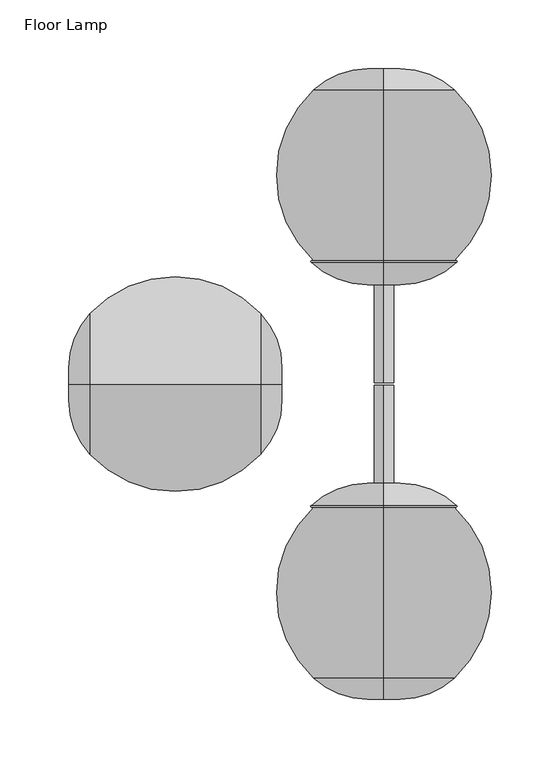
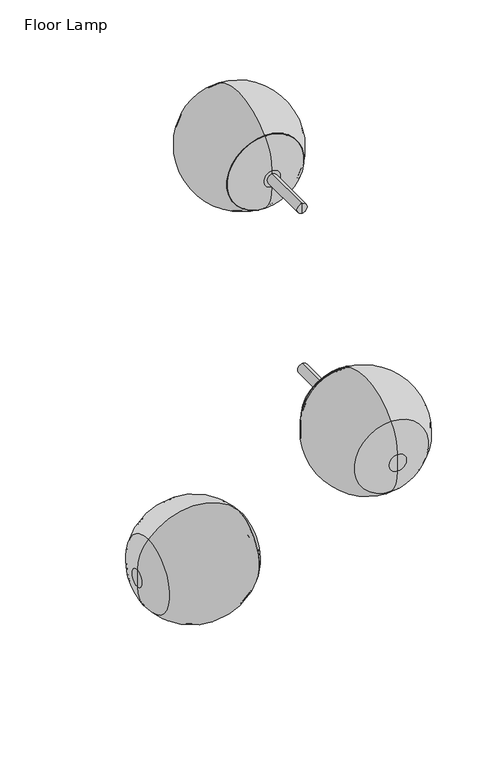
"""IFC4 building model written with IfcOpenShell, lengths in millimetres: furniture geometry, Floor Lamp."""

from ifc_helpers import new_model, si_unit, point, frame, origin, place, context, project, spatial, circle_curve, ellipse_curve, trimmed, source, transform, mapped, element, save
from ifc_brep_helpers import plane_surface, cylinder_surface, revolved_surface, advanced_brep


def floor_lamp_7dffe9f4(model_context):
    return source(origin(), model_context, "Body", "AdvancedBrep", [
        advanced_brep(
        [(0.0, -229.729236, 1321.4104506), (0.0, -229.729236, 1345.488443), (0.0, -229.729236, 1333.4494468), (0.0, -214.3552829, 1282.0718667), (0.0, -214.3552829, 1384.827027), (0.0, -89.6540623, 1282.0718667), (0.0, -89.6540623, 1384.827027), (0.0, -89.6540623, 1283.5571467), (0.0, -89.6540623, 1383.341747), (0.0, -213.6202761, 1282.7499265), (0.0, -213.6202761, 1384.1489672), (0.0, -228.729236, 1321.4104506), (0.0, -228.729236, 1345.488443), (0.0, -228.729236, 1333.4494468)],
        [
            (0, 1, circle_curve(frame((0.0, -229.729236, 1333.4494468), z_axis=(0.0, -1.0, 0.0), x_axis=(0.0, 0.0, 1.0)), 12.0389962)),
            (1, 2),
            (2, 0),
            (1, 0, circle_curve(frame((0.0, -229.729236, 1333.4494468), z_axis=(0.0, -1.0, 0.0), x_axis=(0.0, 0.0, 1.0)), 12.0389962)),
            (3, 4, circle_curve(frame((0.0, -214.3552829, 1333.4494468), z_axis=(0.0, -1.0, 0.0), x_axis=(0.0, 0.0, 1.0)), 51.3775801)),
            (4, 1, circle_curve(frame((0.0, -171.7128428, 1345.488443), z_axis=(1.0, 0.0, 0.0), x_axis=(0.0, 1.0, 0.0)), 58.0163932)),
            (0, 3, circle_curve(frame((0.0, -171.7128428, 1321.4104506), z_axis=(1.0, 0.0, 0.0), x_axis=(0.0, 1.0, 0.0)), 58.0163932)),
            (4, 3, circle_curve(frame((0.0, -214.3552829, 1333.4494468), z_axis=(0.0, -1.0, 0.0), x_axis=(0.0, 0.0, 1.0)), 51.3775801)),
            (5, 6, circle_curve(frame((0.0, -89.6540623, 1333.4494468), z_axis=(0.0, -1.0, 0.0), x_axis=(0.0, 0.0, 1.0)), 51.3775801)),
            (6, 4, circle_curve(frame((0.0, -152.0046726, 1327.3072248), z_axis=(1.0, 0.0, 0.0), x_axis=(0.0, -1.0, 0.0)), 84.8299844)),
            (3, 5, circle_curve(frame((0.0, -152.0046726, 1339.5916689), z_axis=(1.0, 0.0, 0.0), x_axis=(0.0, -1.0, 0.0)), 84.8299844)),
            (6, 5, circle_curve(frame((0.0, -89.6540623, 1333.4494468), z_axis=(0.0, -1.0, 0.0), x_axis=(0.0, 0.0, 1.0)), 51.3775801)),
            (7, 8, circle_curve(frame((0.0, -89.6540623, 1333.4494468), z_axis=(0.0, -1.0, 0.0), x_axis=(0.0, 0.0, 1.0)), 49.8923001)),
            (8, 6),
            (5, 7),
            (8, 7, circle_curve(frame((0.0, -89.6540623, 1333.4494468), z_axis=(0.0, -1.0, 0.0), x_axis=(0.0, 0.0, 1.0)), 49.8923001)),
            (9, 10, circle_curve(frame((0.0, -213.6202761, 1333.4494468), z_axis=(0.0, -1.0, 0.0), x_axis=(0.0, 0.0, 1.0)), 50.6995203)),
            (10, 8, circle_curve(frame((0.0, -152.0046726, 1327.3072248), z_axis=(-1.0, 0.0, 0.0), x_axis=(0.0, -1.0, 0.0)), 83.8299844)),
            (7, 9, circle_curve(frame((0.0, -152.0046726, 1339.5916689), z_axis=(-1.0, 0.0, 0.0), x_axis=(0.0, -1.0, 0.0)), 83.8299844)),
            (10, 9, circle_curve(frame((0.0, -213.6202761, 1333.4494468), z_axis=(0.0, -1.0, 0.0), x_axis=(0.0, 0.0, 1.0)), 50.6995203)),
            (11, 12, circle_curve(frame((0.0, -228.729236, 1333.4494468), z_axis=(0.0, -1.0, 0.0), x_axis=(0.0, 0.0, 1.0)), 12.0389962)),
            (12, 10, circle_curve(frame((0.0, -171.7128428, 1345.488443), z_axis=(-1.0, 0.0, 0.0), x_axis=(0.0, 1.0, 0.0)), 57.0163932)),
            (9, 11, circle_curve(frame((0.0, -171.7128428, 1321.4104506), z_axis=(-1.0, 0.0, 0.0), x_axis=(0.0, 1.0, 0.0)), 57.0163932)),
            (12, 11, circle_curve(frame((0.0, -228.729236, 1333.4494468), z_axis=(0.0, -1.0, 0.0), x_axis=(0.0, 0.0, 1.0)), 12.0389962)),
            (13, 12),
            (11, 13),
        ],
        [
            plane_surface(frame((0.0, -229.729236, 1333.4494468), z_axis=(0.0, -1.0, 0.0), x_axis=(0.0, 0.0, 1.0))),
            revolved_surface(trimmed(ellipse_curve(frame((0.0, -171.7128428, 1345.488443), z_axis=(-1.0, 0.0, 0.0), x_axis=(0.0, 1.0, 0.0)), 58.0163932, 58.0163932), [point((0.0, -229.729236, 1345.488443))], [point((0.0, -214.3552829, 1384.827027))], True, "CARTESIAN"), (0.0, 14.4837779, 1333.4494468), (0.0, 1.0, 0.0)),
            revolved_surface(trimmed(ellipse_curve(frame((0.0, -152.0046726, 1327.3072248), z_axis=(-1.0, 0.0, 0.0), x_axis=(0.0, -1.0, 0.0)), 84.8299844, 84.8299844), [point((0.0, -214.3552829, 1384.827027))], [point((0.0, -89.6540623, 1384.827027))], True, "CARTESIAN"), (0.0, 14.4837779, 1333.4494468), (0.0, 1.0, 0.0)),
            plane_surface(frame((0.0, -89.6540623, 1333.4494468), z_axis=(0.0, 1.0, 0.0), x_axis=(0.0, 0.0, 1.0))),
            revolved_surface(trimmed(ellipse_curve(frame((0.0, -152.0046726, 1327.3072248), z_axis=(1.0, 0.0, 0.0), x_axis=(0.0, -1.0, 0.0)), 83.8299844, 83.8299844), [point((0.0, -89.6540623, 1383.341747))], [point((0.0, -213.6202761, 1384.1489672))], True, "CARTESIAN"), (0.0, 14.4837779, 1333.4494468), (0.0, 1.0, 0.0)),
            revolved_surface(trimmed(ellipse_curve(frame((0.0, -171.7128428, 1345.488443), z_axis=(1.0, 0.0, 0.0), x_axis=(0.0, 1.0, 0.0)), 57.0163932, 57.0163932), [point((0.0, -213.6202761, 1384.1489672))], [point((0.0, -228.729236, 1345.488443))], True, "CARTESIAN"), (0.0, 14.4837779, 1333.4494468), (0.0, 1.0, 0.0)),
            plane_surface(frame((0.0, -228.729236, 1333.4494468), z_axis=(0.0, 1.0, 0.0), x_axis=(0.0, 0.0, 1.0))),
        ],
        [
            (0, [[1, 2, 3]]),
            (0, [[4, -3, -2]]),
            (1, [[5, 6, -1, 7]]),
            (1, [[8, -7, -4, -6]]),
            (2, [[9, 10, -5, 11]]),
            (2, [[12, -11, -8, -10]]),
            (3, [[13, 14, -9, 15]]),
            (3, [[16, -15, -12, -14]]),
            (4, [[17, 18, -13, 19]]),
            (4, [[20, -19, -16, -18]]),
            (5, [[21, 22, -17, 23]]),
            (5, [[24, -23, -20, -22]]),
            (6, [[25, -21, 26]]),
            (6, [[-26, -24, -25]]),
        ],
    ),
        advanced_brep(
        [(0.0, -75.2801091, 1333.4494468), (0.0, -75.2801091, 1339.2125472), (0.0, -75.2801091, 1327.6863465), (0.0, -137.3701269, 1317.6863465), (0.0, -137.3701269, 1349.2125472), (0.0, -137.3701269, 1333.4494468), (0.0, -85.2801091, 1317.6863465), (0.0, -85.2801091, 1349.2125472)],
        [
            (0, 1),
            (1, 2, circle_curve(frame((0.0, -75.2801091, 1333.4494468), z_axis=(0.0, 1.0, 0.0), x_axis=(0.0, 0.0, 1.0)), 5.7631003)),
            (2, 0),
            (2, 1, circle_curve(frame((0.0, -75.2801091, 1333.4494468), z_axis=(0.0, 1.0, 0.0), x_axis=(0.0, 0.0, 1.0)), 5.7631003)),
            (3, 4, circle_curve(frame((0.0, -137.3701269, 1333.4494468), z_axis=(0.0, -1.0, 0.0), x_axis=(0.0, 0.0, 1.0)), 15.7631003)),
            (4, 5),
            (5, 3),
            (4, 3, circle_curve(frame((0.0, -137.3701269, 1333.4494468), z_axis=(0.0, -1.0, 0.0), x_axis=(0.0, 0.0, 1.0)), 15.7631003)),
            (6, 7, circle_curve(frame((0.0, -85.2801091, 1333.4494468), z_axis=(0.0, -1.0, 0.0), x_axis=(0.0, 0.0, 1.0)), 15.7631003)),
            (7, 4),
            (3, 6),
            (7, 6, circle_curve(frame((0.0, -85.2801091, 1333.4494468), z_axis=(0.0, -1.0, 0.0), x_axis=(0.0, 0.0, 1.0)), 15.7631003)),
            (1, 7, circle_curve(frame((0.0, -85.2801091, 1339.2125472), z_axis=(1.0, 0.0, 0.0), x_axis=(0.0, -1.0, 0.0)), 10.0)),
            (6, 2, circle_curve(frame((0.0, -85.2801091, 1327.6863465), z_axis=(1.0, 0.0, 0.0), x_axis=(0.0, -1.0, 0.0)), 10.0)),
        ],
        [
            plane_surface(frame((0.0, -75.2801091, 1333.4494468), z_axis=(0.0, 1.0, 0.0), x_axis=(0.0, 0.0, 1.0))),
            plane_surface(frame((0.0, -137.3701269, 1333.4494468), z_axis=(0.0, -1.0, 0.0), x_axis=(0.0, 0.0, 1.0))),
            cylinder_surface(frame((0.0, -37.800932, 1333.4494468), z_axis=(0.0, 1.0, 0.0), x_axis=(0.0, 0.0, 1.0)), 15.7631003),
            revolved_surface(trimmed(ellipse_curve(frame((0.0, -85.2801091, 1339.2125472), z_axis=(-1.0, 0.0, 0.0), x_axis=(0.0, -1.0, 0.0)), 10.0, 10.0), [point((0.0, -85.2801091, 1349.2125472))], [point((0.0, -75.2801091, 1339.2125472))], True, "CARTESIAN"), (0.0, -37.800932, 1333.4494468), (0.0, 1.0, 0.0)),
        ],
        [
            (0, [[1, 2, 3]]),
            (0, [[-3, 4, -1]]),
            (1, [[5, 6, 7]]),
            (1, [[8, -7, -6]]),
            (2, [[9, 10, -5, 11]]),
            (2, [[12, -11, -8, -10]]),
            (3, [[-2, 13, -9, 14]]),
            (3, [[-4, -14, -12, -13]]),
        ],
    ),
        advanced_brep(
        [(0.0, -74.2801091, 1333.4494468), (0.0, -74.2801091, 1345.488443), (0.0, -74.2801091, 1321.4104506), (0.0, -89.6540623, 1384.827027), (0.0, -89.6540623, 1282.0718667), (0.0, -75.2801091, 1321.4104506), (0.0, -75.2801091, 1345.488443), (0.0, -75.2801091, 1333.4494468), (0.0, -89.6540623, 1283.5621825), (0.0, -89.6540623, 1383.3367112)],
        [
            (0, 1),
            (1, 2, circle_curve(frame((0.0, -74.2801091, 1333.4494468), z_axis=(0.0, 1.0, 0.0), x_axis=(0.0, 0.0, 1.0)), 12.0389962)),
            (2, 0),
            (2, 1, circle_curve(frame((0.0, -74.2801091, 1333.4494468), z_axis=(0.0, 1.0, 0.0), x_axis=(0.0, 0.0, 1.0)), 12.0389962)),
            (1, 3, circle_curve(frame((0.0, -132.2965023, 1345.488443), z_axis=(1.0, 0.0, 0.0), x_axis=(0.0, -1.0, 0.0)), 58.0163932)),
            (3, 4, circle_curve(frame((0.0, -89.6540623, 1333.4494468), z_axis=(0.0, 1.0, 0.0), x_axis=(0.0, 0.0, 1.0)), 51.3775801)),
            (4, 2, circle_curve(frame((0.0, -132.2965023, 1321.4104506), z_axis=(1.0, 0.0, 0.0), x_axis=(0.0, -1.0, 0.0)), 58.0163932)),
            (4, 3, circle_curve(frame((0.0, -89.6540623, 1333.4494468), z_axis=(0.0, 1.0, 0.0), x_axis=(0.0, 0.0, 1.0)), 51.3775801)),
            (5, 6, circle_curve(frame((0.0, -75.2801091, 1333.4494468), z_axis=(0.0, -1.0, 0.0), x_axis=(0.0, 0.0, 1.0)), 12.0389962)),
            (6, 7),
            (7, 5),
            (6, 5, circle_curve(frame((0.0, -75.2801091, 1333.4494468), z_axis=(0.0, -1.0, 0.0), x_axis=(0.0, 0.0, 1.0)), 12.0389962)),
            (8, 9, circle_curve(frame((0.0, -89.6540623, 1333.4494468), z_axis=(0.0, -1.0, 0.0), x_axis=(0.0, 0.0, 1.0)), 49.8872643)),
            (9, 6, circle_curve(frame((0.0, -132.2965023, 1345.488443), z_axis=(-1.0, 0.0, 0.0), x_axis=(0.0, -1.0, 0.0)), 57.0163932)),
            (5, 8, circle_curve(frame((0.0, -132.2965023, 1321.4104506), z_axis=(-1.0, 0.0, 0.0), x_axis=(0.0, -1.0, 0.0)), 57.0163932)),
            (9, 8, circle_curve(frame((0.0, -89.6540623, 1333.4494468), z_axis=(0.0, -1.0, 0.0), x_axis=(0.0, 0.0, 1.0)), 49.8872643)),
            (3, 9),
            (8, 4),
        ],
        [
            plane_surface(frame((0.0, -74.2801091, 1333.4494468), z_axis=(0.0, 1.0, 0.0), x_axis=(0.0, 0.0, 1.0))),
            revolved_surface(trimmed(ellipse_curve(frame((0.0, -132.2965023, 1345.488443), z_axis=(-1.0, 0.0, 0.0), x_axis=(0.0, -1.0, 0.0)), 58.0163932, 58.0163932), [point((0.0, -89.6540623, 1384.827027))], [point((0.0, -74.2801091, 1345.488443))], True, "CARTESIAN"), (0.0, -37.800932, 1333.4494468), (0.0, 1.0, 0.0)),
            plane_surface(frame((0.0, -75.2801091, 1333.4494468), z_axis=(0.0, -1.0, 0.0), x_axis=(0.0, 0.0, 1.0))),
            revolved_surface(trimmed(ellipse_curve(frame((0.0, -132.2965023, 1345.488443), z_axis=(1.0, 0.0, 0.0), x_axis=(0.0, -1.0, 0.0)), 57.0163932, 57.0163932), [point((0.0, -75.2801091, 1345.488443))], [point((0.0, -89.6540623, 1383.3367112))], True, "CARTESIAN"), (0.0, -37.800932, 1333.4494468), (0.0, 1.0, 0.0)),
            plane_surface(frame((0.0, -89.6540623, 1333.4494468), z_axis=(0.0, -1.0, 0.0), x_axis=(0.0, 0.0, 1.0))),
        ],
        [
            (0, [[1, 2, 3]]),
            (0, [[-3, 4, -1]]),
            (1, [[-2, 5, 6, 7]]),
            (1, [[-4, -7, 8, -5]]),
            (2, [[9, 10, 11]]),
            (2, [[12, -11, -10]]),
            (3, [[13, 14, -9, 15]]),
            (3, [[16, -15, -12, -14]]),
            (4, [[-6, 17, -13, 18]]),
            (4, [[-8, -18, -16, -17]]),
        ],
    ),
        advanced_brep(
        [(0.0, -0.8414738, 1326.4104506), (0.0, -0.8414738, 1340.488443), (0.0, -72.2801091, 1340.488443), (0.0, -72.2801091, 1326.4104506), (0.0, -0.8414738, 1333.4494468), (0.0, -74.2801091, 1321.4104506), (0.0, -74.2801091, 1345.488443), (0.0, -74.2801091, 1333.4494468), (0.0, -89.6540623, 1282.0718667), (0.0, -89.6540623, 1384.827027), (0.0, -89.6540623, 1280.411293), (0.0, -89.6540623, 1386.4876007), (0.0, -88.7916206, 1280.0668572), (0.0, -88.7916206, 1386.8320365), (0.0, -72.2801091, 1321.4104506), (0.0, -72.2801091, 1345.488443)],
        [
            (0, 1, circle_curve(frame((0.0, -0.8414738, 1333.4494468), z_axis=(0.0, -1.0, 0.0), x_axis=(0.0, 0.0, 1.0)), 7.0389962)),
            (1, 2),
            (2, 3, circle_curve(frame((0.0, -72.2801091, 1333.4494468), z_axis=(0.0, 1.0, 0.0), x_axis=(0.0, 0.0, 1.0)), 7.0389962)),
            (3, 0),
            (1, 0, circle_curve(frame((0.0, -0.8414738, 1333.4494468), z_axis=(0.0, -1.0, 0.0), x_axis=(0.0, 0.0, 1.0)), 7.0389962)),
            (3, 2, circle_curve(frame((0.0, -72.2801091, 1333.4494468), z_axis=(0.0, 1.0, 0.0), x_axis=(0.0, 0.0, 1.0)), 7.0389962)),
            (4, 1),
            (0, 4),
            (5, 6, circle_curve(frame((0.0, -74.2801091, 1333.4494468), z_axis=(0.0, -1.0, 0.0), x_axis=(0.0, 0.0, 1.0)), 12.0389962)),
            (6, 7),
            (7, 5),
            (6, 5, circle_curve(frame((0.0, -74.2801091, 1333.4494468), z_axis=(0.0, -1.0, 0.0), x_axis=(0.0, 0.0, 1.0)), 12.0389962)),
            (8, 9, circle_curve(frame((0.0, -89.6540623, 1333.4494468), z_axis=(0.0, -1.0, 0.0), x_axis=(0.0, 0.0, 1.0)), 51.3775801)),
            (9, 6, circle_curve(frame((0.0, -132.2965023, 1345.488443), z_axis=(-1.0, 0.0, 0.0), x_axis=(0.0, -1.0, 0.0)), 58.0163932)),
            (5, 8, circle_curve(frame((0.0, -132.2965023, 1321.4104506), z_axis=(-1.0, 0.0, 0.0), x_axis=(0.0, -1.0, 0.0)), 58.0163932)),
            (9, 8, circle_curve(frame((0.0, -89.6540623, 1333.4494468), z_axis=(0.0, -1.0, 0.0), x_axis=(0.0, 0.0, 1.0)), 51.3775801)),
            (10, 11, circle_curve(frame((0.0, -89.6540623, 1333.4494468), z_axis=(0.0, -1.0, 0.0), x_axis=(0.0, 0.0, 1.0)), 53.0381538)),
            (11, 9),
            (8, 10),
            (11, 10, circle_curve(frame((0.0, -89.6540623, 1333.4494468), z_axis=(0.0, -1.0, 0.0), x_axis=(0.0, 0.0, 1.0)), 53.0381538)),
            (12, 13, circle_curve(frame((0.0, -88.7916206, 1333.4494468), z_axis=(0.0, -1.0, 0.0), x_axis=(0.0, 0.0, 1.0)), 53.3825897)),
            (13, 11, circle_curve(frame((0.0, -89.1540623, 1386.4876007), z_axis=(1.0, 0.0, 0.0), x_axis=(0.0, -1.0, 0.0)), 0.5)),
            (10, 12, circle_curve(frame((0.0, -89.1540623, 1280.411293), z_axis=(1.0, 0.0, 0.0), x_axis=(0.0, -1.0, 0.0)), 0.5)),
            (13, 12, circle_curve(frame((0.0, -88.7916206, 1333.4494468), z_axis=(0.0, -1.0, 0.0), x_axis=(0.0, 0.0, 1.0)), 53.3825897)),
            (14, 15, circle_curve(frame((0.0, -72.2801091, 1333.4494468), z_axis=(0.0, -1.0, 0.0), x_axis=(0.0, 0.0, 1.0)), 12.0389962)),
            (15, 13, circle_curve(frame((0.0, -132.2965023, 1345.488443), z_axis=(1.0, 0.0, 0.0), x_axis=(0.0, -1.0, 0.0)), 60.0163932)),
            (12, 14, circle_curve(frame((0.0, -132.2965023, 1321.4104506), z_axis=(1.0, 0.0, 0.0), x_axis=(0.0, -1.0, 0.0)), 60.0163932)),
            (15, 14, circle_curve(frame((0.0, -72.2801091, 1333.4494468), z_axis=(0.0, -1.0, 0.0), x_axis=(0.0, 0.0, 1.0)), 12.0389962)),
            (2, 15),
            (14, 3),
        ],
        [
            cylinder_surface(frame((0.0, 14.4837779, 1333.4494468), z_axis=(0.0, 1.0, 0.0), x_axis=(0.0, 0.0, 1.0)), 7.0389962),
            plane_surface(frame((0.0, -0.8414738, 1333.4494468), z_axis=(0.0, 1.0, 0.0), x_axis=(0.0, 0.0, 1.0))),
            plane_surface(frame((0.0, -74.2801091, 1333.4494468), z_axis=(0.0, -1.0, 0.0), x_axis=(0.0, 0.0, 1.0))),
            revolved_surface(trimmed(ellipse_curve(frame((0.0, -132.2965023, 1345.488443), z_axis=(1.0, 0.0, 0.0), x_axis=(0.0, -1.0, 0.0)), 58.0163932, 58.0163932), [point((0.0, -74.2801091, 1345.488443))], [point((0.0, -89.6540623, 1384.827027))], True, "CARTESIAN"), (0.0, 14.4837779, 1333.4494468), (0.0, 1.0, 0.0)),
            plane_surface(frame((0.0, -89.6540623, 1333.4494468), z_axis=(0.0, -1.0, 0.0), x_axis=(0.0, 0.0, 1.0))),
            revolved_surface(trimmed(ellipse_curve(frame((0.0, -89.1540623, 1386.4876007), z_axis=(-1.0, 0.0, 0.0), x_axis=(0.0, -1.0, 0.0)), 0.5, 0.5), [point((0.0, -89.6540623, 1386.4876007))], [point((0.0, -88.7916206, 1386.8320365))], True, "CARTESIAN"), (0.0, 14.4837779, 1333.4494468), (0.0, 1.0, 0.0)),
            revolved_surface(trimmed(ellipse_curve(frame((0.0, -132.2965023, 1345.488443), z_axis=(-1.0, 0.0, 0.0), x_axis=(0.0, -1.0, 0.0)), 60.0163932, 60.0163932), [point((0.0, -88.7916206, 1386.8320365))], [point((0.0, -72.2801091, 1345.488443))], True, "CARTESIAN"), (0.0, 14.4837779, 1333.4494468), (0.0, 1.0, 0.0)),
            plane_surface(frame((0.0, -72.2801091, 1333.4494468), z_axis=(0.0, 1.0, 0.0), x_axis=(0.0, 0.0, 1.0))),
        ],
        [
            (0, [[1, 2, 3, 4]]),
            (0, [[5, -4, 6, -2]]),
            (1, [[7, -1, 8]]),
            (1, [[-8, -5, -7]]),
            (2, [[9, 10, 11]]),
            (2, [[12, -11, -10]]),
            (3, [[13, 14, -9, 15]]),
            (3, [[16, -15, -12, -14]]),
            (4, [[17, 18, -13, 19]]),
            (4, [[20, -19, -16, -18]]),
            (5, [[21, 22, -17, 23]]),
            (5, [[24, -23, -20, -22]]),
            (6, [[25, 26, -21, 27]]),
            (6, [[28, -27, -24, -26]]),
            (7, [[-3, 29, -25, 30]]),
            (7, [[-6, -30, -28, -29]]),
        ],
    ),
        advanced_brep(
        [(0.0, 229.729236, 1567.3808061), (0.0, 229.729236, 1579.4198023), (0.0, 229.729236, 1555.3418098), (0.0, 214.3552829, 1618.7583862), (0.0, 214.3552829, 1516.0032259), (0.0, 89.6540623, 1618.7583862), (0.0, 89.6540623, 1516.0032259), (0.0, 89.6540623, 1617.2731062), (0.0, 89.6540623, 1517.4885059), (0.0, 213.6202761, 1618.0803264), (0.0, 213.6202761, 1516.6812857), (0.0, 228.729236, 1579.4198023), (0.0, 228.729236, 1555.3418098), (0.0, 228.729236, 1567.3808061)],
        [
            (0, 1),
            (1, 2, circle_curve(frame((0.0, 229.729236, 1567.3808061), z_axis=(0.0, 1.0, 0.0), x_axis=(0.0, 0.0, 1.0)), 12.0389962)),
            (2, 0),
            (2, 1, circle_curve(frame((0.0, 229.729236, 1567.3808061), z_axis=(0.0, 1.0, 0.0), x_axis=(0.0, 0.0, 1.0)), 12.0389962)),
            (1, 3, circle_curve(frame((0.0, 171.7128428, 1579.4198023), z_axis=(1.0, 0.0, 0.0), x_axis=(0.0, -1.0, 0.0)), 58.0163932)),
            (3, 4, circle_curve(frame((0.0, 214.3552829, 1567.3808061), z_axis=(0.0, 1.0, 0.0), x_axis=(0.0, 0.0, 1.0)), 51.3775801)),
            (4, 2, circle_curve(frame((0.0, 171.7128428, 1555.3418098), z_axis=(1.0, 0.0, 0.0), x_axis=(0.0, -1.0, 0.0)), 58.0163932)),
            (4, 3, circle_curve(frame((0.0, 214.3552829, 1567.3808061), z_axis=(0.0, 1.0, 0.0), x_axis=(0.0, 0.0, 1.0)), 51.3775801)),
            (3, 5, circle_curve(frame((0.0, 152.0046726, 1561.238584), z_axis=(1.0, 0.0, 0.0), x_axis=(0.0, 1.0, 0.0)), 84.8299844)),
            (5, 6, circle_curve(frame((0.0, 89.6540623, 1567.3808061), z_axis=(0.0, 1.0, 0.0), x_axis=(0.0, 0.0, 1.0)), 51.3775801)),
            (6, 4, circle_curve(frame((0.0, 152.0046726, 1573.5230281), z_axis=(1.0, 0.0, 0.0), x_axis=(0.0, 1.0, 0.0)), 84.8299844)),
            (6, 5, circle_curve(frame((0.0, 89.6540623, 1567.3808061), z_axis=(0.0, 1.0, 0.0), x_axis=(0.0, 0.0, 1.0)), 51.3775801)),
            (5, 7),
            (7, 8, circle_curve(frame((0.0, 89.6540623, 1567.3808061), z_axis=(0.0, 1.0, 0.0), x_axis=(0.0, 0.0, 1.0)), 49.8923001)),
            (8, 6),
            (8, 7, circle_curve(frame((0.0, 89.6540623, 1567.3808061), z_axis=(0.0, 1.0, 0.0), x_axis=(0.0, 0.0, 1.0)), 49.8923001)),
            (7, 9, circle_curve(frame((0.0, 152.0046726, 1561.238584), z_axis=(-1.0, 0.0, 0.0), x_axis=(0.0, 1.0, 0.0)), 83.8299844)),
            (9, 10, circle_curve(frame((0.0, 213.6202761, 1567.3808061), z_axis=(0.0, 1.0, 0.0), x_axis=(0.0, 0.0, 1.0)), 50.6995203)),
            (10, 8, circle_curve(frame((0.0, 152.0046726, 1573.5230281), z_axis=(-1.0, 0.0, 0.0), x_axis=(0.0, 1.0, 0.0)), 83.8299844)),
            (10, 9, circle_curve(frame((0.0, 213.6202761, 1567.3808061), z_axis=(0.0, 1.0, 0.0), x_axis=(0.0, 0.0, 1.0)), 50.6995203)),
            (9, 11, circle_curve(frame((0.0, 171.7128428, 1579.4198023), z_axis=(-1.0, 0.0, 0.0), x_axis=(0.0, -1.0, 0.0)), 57.0163932)),
            (11, 12, circle_curve(frame((0.0, 228.729236, 1567.3808061), z_axis=(0.0, 1.0, 0.0), x_axis=(0.0, 0.0, 1.0)), 12.0389962)),
            (12, 10, circle_curve(frame((0.0, 171.7128428, 1555.3418098), z_axis=(-1.0, 0.0, 0.0), x_axis=(0.0, -1.0, 0.0)), 57.0163932)),
            (12, 11, circle_curve(frame((0.0, 228.729236, 1567.3808061), z_axis=(0.0, 1.0, 0.0), x_axis=(0.0, 0.0, 1.0)), 12.0389962)),
            (11, 13),
            (13, 12),
        ],
        [
            plane_surface(frame((0.0, 229.729236, 1567.3808061), z_axis=(0.0, 1.0, 0.0), x_axis=(0.0, 0.0, 1.0))),
            revolved_surface(trimmed(ellipse_curve(frame((0.0, 171.7128428, 1579.4198023), z_axis=(-1.0, 0.0, 0.0), x_axis=(0.0, -1.0, 0.0)), 58.0163932, 58.0163932), [point((0.0, 214.3552829, 1618.7583862))], [point((0.0, 229.729236, 1579.4198023))], True, "CARTESIAN"), (0.0, -14.4837779, 1567.3808061), (0.0, 1.0, 0.0)),
            revolved_surface(trimmed(ellipse_curve(frame((0.0, 152.0046726, 1561.238584), z_axis=(-1.0, 0.0, 0.0), x_axis=(0.0, 1.0, 0.0)), 84.8299844, 84.8299844), [point((0.0, 89.6540623, 1618.7583862))], [point((0.0, 214.3552829, 1618.7583862))], True, "CARTESIAN"), (0.0, -14.4837779, 1567.3808061), (0.0, 1.0, 0.0)),
            plane_surface(frame((0.0, 89.6540623, 1567.3808061), z_axis=(0.0, -1.0, 0.0), x_axis=(0.0, 0.0, 1.0))),
            revolved_surface(trimmed(ellipse_curve(frame((0.0, 152.0046726, 1561.238584), z_axis=(1.0, 0.0, 0.0), x_axis=(0.0, 1.0, 0.0)), 83.8299844, 83.8299844), [point((0.0, 213.6202761, 1618.0803264))], [point((0.0, 89.6540623, 1617.2731062))], True, "CARTESIAN"), (0.0, -14.4837779, 1567.3808061), (0.0, 1.0, 0.0)),
            revolved_surface(trimmed(ellipse_curve(frame((0.0, 171.7128428, 1579.4198023), z_axis=(1.0, 0.0, 0.0), x_axis=(0.0, -1.0, 0.0)), 57.0163932, 57.0163932), [point((0.0, 228.729236, 1579.4198023))], [point((0.0, 213.6202761, 1618.0803264))], True, "CARTESIAN"), (0.0, -14.4837779, 1567.3808061), (0.0, 1.0, 0.0)),
            plane_surface(frame((0.0, 228.729236, 1567.3808061), z_axis=(0.0, -1.0, 0.0), x_axis=(0.0, 0.0, 1.0))),
        ],
        [
            (0, [[1, 2, 3]]),
            (0, [[-3, 4, -1]]),
            (1, [[-2, 5, 6, 7]]),
            (1, [[-4, -7, 8, -5]]),
            (2, [[-6, 9, 10, 11]]),
            (2, [[-8, -11, 12, -9]]),
            (3, [[-10, 13, 14, 15]]),
            (3, [[-12, -15, 16, -13]]),
            (4, [[-14, 17, 18, 19]]),
            (4, [[-16, -19, 20, -17]]),
            (5, [[-18, 21, 22, 23]]),
            (5, [[-20, -23, 24, -21]]),
            (6, [[-22, 25, 26]]),
            (6, [[-24, -26, -25]]),
        ],
    ),
        advanced_brep(
        [(0.0, 75.2801091, 1561.6177057), (0.0, 75.2801091, 1573.1439064), (0.0, 75.2801091, 1567.3808061), (0.0, 137.3701269, 1567.3808061), (0.0, 137.3701269, 1583.1439064), (0.0, 137.3701269, 1551.6177057), (0.0, 85.2801091, 1583.1439064), (0.0, 85.2801091, 1551.6177057)],
        [
            (0, 1, circle_curve(frame((0.0, 75.2801091, 1567.3808061), z_axis=(0.0, -1.0, 0.0), x_axis=(0.0, 0.0, 1.0)), 5.7631003)),
            (1, 2),
            (2, 0),
            (1, 0, circle_curve(frame((0.0, 75.2801091, 1567.3808061), z_axis=(0.0, -1.0, 0.0), x_axis=(0.0, 0.0, 1.0)), 5.7631003)),
            (3, 4),
            (4, 5, circle_curve(frame((0.0, 137.3701269, 1567.3808061), z_axis=(0.0, 1.0, 0.0), x_axis=(0.0, 0.0, 1.0)), 15.7631003)),
            (5, 3),
            (5, 4, circle_curve(frame((0.0, 137.3701269, 1567.3808061), z_axis=(0.0, 1.0, 0.0), x_axis=(0.0, 0.0, 1.0)), 15.7631003)),
            (4, 6),
            (6, 7, circle_curve(frame((0.0, 85.2801091, 1567.3808061), z_axis=(0.0, 1.0, 0.0), x_axis=(0.0, 0.0, 1.0)), 15.7631003)),
            (7, 5),
            (7, 6, circle_curve(frame((0.0, 85.2801091, 1567.3808061), z_axis=(0.0, 1.0, 0.0), x_axis=(0.0, 0.0, 1.0)), 15.7631003)),
            (6, 1, circle_curve(frame((0.0, 85.2801091, 1573.1439064), z_axis=(1.0, 0.0, 0.0), x_axis=(0.0, 1.0, 0.0)), 10.0)),
            (0, 7, circle_curve(frame((0.0, 85.2801091, 1561.6177057), z_axis=(1.0, 0.0, 0.0), x_axis=(0.0, 1.0, 0.0)), 10.0)),
        ],
        [
            plane_surface(frame((0.0, 75.2801091, 1567.3808061), z_axis=(0.0, -1.0, 0.0), x_axis=(0.0, 0.0, 1.0))),
            plane_surface(frame((0.0, 137.3701269, 1567.3808061), z_axis=(0.0, 1.0, 0.0), x_axis=(0.0, 0.0, 1.0))),
            cylinder_surface(frame((0.0, 37.800932, 1567.3808061), z_axis=(0.0, 1.0, 0.0), x_axis=(0.0, 0.0, 1.0)), 15.7631003),
            revolved_surface(trimmed(ellipse_curve(frame((0.0, 85.2801091, 1573.1439064), z_axis=(-1.0, 0.0, 0.0), x_axis=(0.0, 1.0, 0.0)), 10.0, 10.0), [point((0.0, 75.2801091, 1573.1439064))], [point((0.0, 85.2801091, 1583.1439064))], True, "CARTESIAN"), (0.0, 37.800932, 1567.3808061), (0.0, 1.0, 0.0)),
        ],
        [
            (0, [[1, 2, 3]]),
            (0, [[4, -3, -2]]),
            (1, [[5, 6, 7]]),
            (1, [[-7, 8, -5]]),
            (2, [[-6, 9, 10, 11]]),
            (2, [[-8, -11, 12, -9]]),
            (3, [[-10, 13, -1, 14]]),
            (3, [[-12, -14, -4, -13]]),
        ],
    ),
        advanced_brep(
        [(0.0, 74.2801091, 1555.3418098), (0.0, 74.2801091, 1579.4198023), (0.0, 74.2801091, 1567.3808061), (0.0, 89.6540623, 1516.0032259), (0.0, 89.6540623, 1618.7583862), (0.0, 75.2801091, 1567.3808061), (0.0, 75.2801091, 1579.4198023), (0.0, 75.2801091, 1555.3418098), (0.0, 89.6540623, 1617.2680704), (0.0, 89.6540623, 1517.4935417)],
        [
            (0, 1, circle_curve(frame((0.0, 74.2801091, 1567.3808061), z_axis=(0.0, -1.0, 0.0), x_axis=(0.0, 0.0, 1.0)), 12.0389962)),
            (1, 2),
            (2, 0),
            (1, 0, circle_curve(frame((0.0, 74.2801091, 1567.3808061), z_axis=(0.0, -1.0, 0.0), x_axis=(0.0, 0.0, 1.0)), 12.0389962)),
            (3, 4, circle_curve(frame((0.0, 89.6540623, 1567.3808061), z_axis=(0.0, -1.0, 0.0), x_axis=(0.0, 0.0, 1.0)), 51.3775801)),
            (4, 1, circle_curve(frame((0.0, 132.2965023, 1579.4198023), z_axis=(1.0, 0.0, 0.0), x_axis=(0.0, 1.0, 0.0)), 58.0163932)),
            (0, 3, circle_curve(frame((0.0, 132.2965023, 1555.3418098), z_axis=(1.0, 0.0, 0.0), x_axis=(0.0, 1.0, 0.0)), 58.0163932)),
            (4, 3, circle_curve(frame((0.0, 89.6540623, 1567.3808061), z_axis=(0.0, -1.0, 0.0), x_axis=(0.0, 0.0, 1.0)), 51.3775801)),
            (5, 6),
            (6, 7, circle_curve(frame((0.0, 75.2801091, 1567.3808061), z_axis=(0.0, 1.0, 0.0), x_axis=(0.0, 0.0, 1.0)), 12.0389962)),
            (7, 5),
            (7, 6, circle_curve(frame((0.0, 75.2801091, 1567.3808061), z_axis=(0.0, 1.0, 0.0), x_axis=(0.0, 0.0, 1.0)), 12.0389962)),
            (6, 8, circle_curve(frame((0.0, 132.2965023, 1579.4198023), z_axis=(-1.0, 0.0, 0.0), x_axis=(0.0, 1.0, 0.0)), 57.0163932)),
            (8, 9, circle_curve(frame((0.0, 89.6540623, 1567.3808061), z_axis=(0.0, 1.0, 0.0), x_axis=(0.0, 0.0, 1.0)), 49.8872643)),
            (9, 7, circle_curve(frame((0.0, 132.2965023, 1555.3418098), z_axis=(-1.0, 0.0, 0.0), x_axis=(0.0, 1.0, 0.0)), 57.0163932)),
            (9, 8, circle_curve(frame((0.0, 89.6540623, 1567.3808061), z_axis=(0.0, 1.0, 0.0), x_axis=(0.0, 0.0, 1.0)), 49.8872643)),
            (8, 4),
            (3, 9),
        ],
        [
            plane_surface(frame((0.0, 74.2801091, 1567.3808061), z_axis=(0.0, -1.0, 0.0), x_axis=(0.0, 0.0, 1.0))),
            revolved_surface(trimmed(ellipse_curve(frame((0.0, 132.2965023, 1579.4198023), z_axis=(-1.0, 0.0, 0.0), x_axis=(0.0, 1.0, 0.0)), 58.0163932, 58.0163932), [point((0.0, 74.2801091, 1579.4198023))], [point((0.0, 89.6540623, 1618.7583862))], True, "CARTESIAN"), (0.0, 37.800932, 1567.3808061), (0.0, 1.0, 0.0)),
            plane_surface(frame((0.0, 75.2801091, 1567.3808061), z_axis=(0.0, 1.0, 0.0), x_axis=(0.0, 0.0, 1.0))),
            revolved_surface(trimmed(ellipse_curve(frame((0.0, 132.2965023, 1579.4198023), z_axis=(1.0, 0.0, 0.0), x_axis=(0.0, 1.0, 0.0)), 57.0163932, 57.0163932), [point((0.0, 89.6540623, 1617.2680704))], [point((0.0, 75.2801091, 1579.4198023))], True, "CARTESIAN"), (0.0, 37.800932, 1567.3808061), (0.0, 1.0, 0.0)),
            plane_surface(frame((0.0, 89.6540623, 1567.3808061), z_axis=(0.0, 1.0, 0.0), x_axis=(0.0, 0.0, 1.0))),
        ],
        [
            (0, [[1, 2, 3]]),
            (0, [[4, -3, -2]]),
            (1, [[5, 6, -1, 7]]),
            (1, [[8, -7, -4, -6]]),
            (2, [[9, 10, 11]]),
            (2, [[-11, 12, -9]]),
            (3, [[-10, 13, 14, 15]]),
            (3, [[-12, -15, 16, -13]]),
            (4, [[-14, 17, -5, 18]]),
            (4, [[-16, -18, -8, -17]]),
        ],
    ),
        advanced_brep(
        [(0.0, 72.2801091, 1560.3418098), (0.0, 72.2801091, 1574.4198023), (0.0, 0.805163, 1574.4198023), (0.0, 0.805163, 1560.3418098), (0.0, 0.805163, 1567.3808061), (0.0, 74.2801091, 1567.3808061), (0.0, 74.2801091, 1579.4198023), (0.0, 74.2801091, 1555.3418098), (0.0, 89.6540623, 1618.7583862), (0.0, 89.6540623, 1516.0032259), (0.0, 89.6540623, 1620.4189599), (0.0, 89.6540623, 1514.3426522), (0.0, 88.7916206, 1620.7633957), (0.0, 88.7916206, 1513.9982164), (0.0, 72.2801091, 1579.4198023), (0.0, 72.2801091, 1555.3418098)],
        [
            (0, 1, circle_curve(frame((0.0, 72.2801091, 1567.3808061), z_axis=(0.0, -1.0, 0.0), x_axis=(0.0, 0.0, 1.0)), 7.0389962)),
            (1, 2),
            (2, 3, circle_curve(frame((0.0, 0.805163, 1567.3808061), z_axis=(0.0, 1.0, 0.0), x_axis=(0.0, 0.0, 1.0)), 7.0389962)),
            (3, 0),
            (1, 0, circle_curve(frame((0.0, 72.2801091, 1567.3808061), z_axis=(0.0, -1.0, 0.0), x_axis=(0.0, 0.0, 1.0)), 7.0389962)),
            (3, 2, circle_curve(frame((0.0, 0.805163, 1567.3808061), z_axis=(0.0, 1.0, 0.0), x_axis=(0.0, 0.0, 1.0)), 7.0389962)),
            (2, 4),
            (4, 3),
            (5, 6),
            (6, 7, circle_curve(frame((0.0, 74.2801091, 1567.3808061), z_axis=(0.0, 1.0, 0.0), x_axis=(0.0, 0.0, 1.0)), 12.0389962)),
            (7, 5),
            (7, 6, circle_curve(frame((0.0, 74.2801091, 1567.3808061), z_axis=(0.0, 1.0, 0.0), x_axis=(0.0, 0.0, 1.0)), 12.0389962)),
            (6, 8, circle_curve(frame((0.0, 132.2965023, 1579.4198023), z_axis=(-1.0, 0.0, 0.0), x_axis=(0.0, 1.0, 0.0)), 58.0163932)),
            (8, 9, circle_curve(frame((0.0, 89.6540623, 1567.3808061), z_axis=(0.0, 1.0, 0.0), x_axis=(0.0, 0.0, 1.0)), 51.3775801)),
            (9, 7, circle_curve(frame((0.0, 132.2965023, 1555.3418098), z_axis=(-1.0, 0.0, 0.0), x_axis=(0.0, 1.0, 0.0)), 58.0163932)),
            (9, 8, circle_curve(frame((0.0, 89.6540623, 1567.3808061), z_axis=(0.0, 1.0, 0.0), x_axis=(0.0, 0.0, 1.0)), 51.3775801)),
            (8, 10),
            (10, 11, circle_curve(frame((0.0, 89.6540623, 1567.3808061), z_axis=(0.0, 1.0, 0.0), x_axis=(0.0, 0.0, 1.0)), 53.0381538)),
            (11, 9),
            (11, 10, circle_curve(frame((0.0, 89.6540623, 1567.3808061), z_axis=(0.0, 1.0, 0.0), x_axis=(0.0, 0.0, 1.0)), 53.0381538)),
            (10, 12, circle_curve(frame((0.0, 89.1540623, 1620.4189599), z_axis=(1.0, 0.0, 0.0), x_axis=(0.0, 1.0, 0.0)), 0.5)),
            (12, 13, circle_curve(frame((0.0, 88.7916206, 1567.3808061), z_axis=(0.0, 1.0, 0.0), x_axis=(0.0, 0.0, 1.0)), 53.3825897)),
            (13, 11, circle_curve(frame((0.0, 89.1540623, 1514.3426522), z_axis=(1.0, 0.0, 0.0), x_axis=(0.0, 1.0, 0.0)), 0.5)),
            (13, 12, circle_curve(frame((0.0, 88.7916206, 1567.3808061), z_axis=(0.0, 1.0, 0.0), x_axis=(0.0, 0.0, 1.0)), 53.3825897)),
            (12, 14, circle_curve(frame((0.0, 132.2965023, 1579.4198023), z_axis=(1.0, 0.0, 0.0), x_axis=(0.0, 1.0, 0.0)), 60.0163932)),
            (14, 15, circle_curve(frame((0.0, 72.2801091, 1567.3808061), z_axis=(0.0, 1.0, 0.0), x_axis=(0.0, 0.0, 1.0)), 12.0389962)),
            (15, 13, circle_curve(frame((0.0, 132.2965023, 1555.3418098), z_axis=(1.0, 0.0, 0.0), x_axis=(0.0, 1.0, 0.0)), 60.0163932)),
            (15, 14, circle_curve(frame((0.0, 72.2801091, 1567.3808061), z_axis=(0.0, 1.0, 0.0), x_axis=(0.0, 0.0, 1.0)), 12.0389962)),
            (14, 1),
            (0, 15),
        ],
        [
            cylinder_surface(frame((0.0, -14.4837779, 1567.3808061), z_axis=(0.0, 1.0, 0.0), x_axis=(0.0, 0.0, 1.0)), 7.0389962),
            plane_surface(frame((0.0, 0.805163, 1567.3808061), z_axis=(0.0, -1.0, 0.0), x_axis=(0.0, 0.0, 1.0))),
            plane_surface(frame((0.0, 74.2801091, 1567.3808061), z_axis=(0.0, 1.0, 0.0), x_axis=(0.0, 0.0, 1.0))),
            revolved_surface(trimmed(ellipse_curve(frame((0.0, 132.2965023, 1579.4198023), z_axis=(1.0, 0.0, 0.0), x_axis=(0.0, 1.0, 0.0)), 58.0163932, 58.0163932), [point((0.0, 89.6540623, 1618.7583862))], [point((0.0, 74.2801091, 1579.4198023))], True, "CARTESIAN"), (0.0, -14.4837779, 1567.3808061), (0.0, 1.0, 0.0)),
            plane_surface(frame((0.0, 89.6540623, 1567.3808061), z_axis=(0.0, 1.0, 0.0), x_axis=(0.0, 0.0, 1.0))),
            revolved_surface(trimmed(ellipse_curve(frame((0.0, 89.1540623, 1620.4189599), z_axis=(-1.0, 0.0, 0.0), x_axis=(0.0, 1.0, 0.0)), 0.5, 0.5), [point((0.0, 88.7916206, 1620.7633957))], [point((0.0, 89.6540623, 1620.4189599))], True, "CARTESIAN"), (0.0, -14.4837779, 1567.3808061), (0.0, 1.0, 0.0)),
            revolved_surface(trimmed(ellipse_curve(frame((0.0, 132.2965023, 1579.4198023), z_axis=(-1.0, 0.0, 0.0), x_axis=(0.0, 1.0, 0.0)), 60.0163932, 60.0163932), [point((0.0, 72.2801091, 1579.4198023))], [point((0.0, 88.7916206, 1620.7633957))], True, "CARTESIAN"), (0.0, -14.4837779, 1567.3808061), (0.0, 1.0, 0.0)),
            plane_surface(frame((0.0, 72.2801091, 1567.3808061), z_axis=(0.0, -1.0, 0.0), x_axis=(0.0, 0.0, 1.0))),
        ],
        [
            (0, [[1, 2, 3, 4]]),
            (0, [[5, -4, 6, -2]]),
            (1, [[-3, 7, 8]]),
            (1, [[-6, -8, -7]]),
            (2, [[9, 10, 11]]),
            (2, [[-11, 12, -9]]),
            (3, [[-10, 13, 14, 15]]),
            (3, [[-12, -15, 16, -13]]),
            (4, [[-14, 17, 18, 19]]),
            (4, [[-16, -19, 20, -17]]),
            (5, [[-18, 21, 22, 23]]),
            (5, [[-20, -23, 24, -21]]),
            (6, [[-22, 25, 26, 27]]),
            (6, [[-24, -27, 28, -25]]),
            (7, [[-26, 29, -1, 30]]),
            (7, [[-28, -30, -5, -29]]),
        ],
    ),
        advanced_brep(
        [(-229.729236, 0.0, 1105.2070337), (-229.729236, 0.0, 1117.24603), (-229.729236, 0.0, 1093.1680375), (-214.3552829, 0.0, 1156.5846139), (-214.3552829, 0.0, 1053.8294536), (-89.6540623, 0.0, 1156.5846139), (-89.6540623, 0.0, 1053.8294536), (-89.6540623, 0.0, 1155.0993339), (-89.6540623, 0.0, 1055.3147336), (-213.6202761, 0.0, 1155.9065541), (-213.6202761, 0.0, 1054.5075134), (-228.729236, 0.0, 1117.24603), (-228.729236, 0.0, 1093.1680375), (-228.729236, 0.0, 1105.2070337)],
        [
            (0, 1),
            (1, 2, circle_curve(frame((-229.729236, 0.0, 1105.2070337), z_axis=(-1.0, 0.0, 0.0), x_axis=(0.0, 0.0, 1.0)), 12.0389962)),
            (2, 0),
            (2, 1, circle_curve(frame((-229.729236, 0.0, 1105.2070337), z_axis=(-1.0, 0.0, 0.0), x_axis=(0.0, 0.0, 1.0)), 12.0389962)),
            (1, 3, circle_curve(frame((-171.7128428, 0.0, 1117.24603), z_axis=(0.0, 1.0, 0.0), x_axis=(1.0, 0.0, 0.0)), 58.0163932)),
            (3, 4, circle_curve(frame((-214.3552829, 0.0, 1105.2070337), z_axis=(-1.0, 0.0, 0.0), x_axis=(0.0, 0.0, 1.0)), 51.3775801)),
            (4, 2, circle_curve(frame((-171.7128428, 0.0, 1093.1680375), z_axis=(0.0, 1.0, 0.0), x_axis=(1.0, 0.0, 0.0)), 58.0163932)),
            (4, 3, circle_curve(frame((-214.3552829, 0.0, 1105.2070337), z_axis=(-1.0, 0.0, 0.0), x_axis=(0.0, 0.0, 1.0)), 51.3775801)),
            (3, 5, circle_curve(frame((-152.0046726, 0.0, 1099.0648117), z_axis=(0.0, 1.0, 0.0), x_axis=(-1.0, 0.0, 0.0)), 84.8299844)),
            (5, 6, circle_curve(frame((-89.6540623, 0.0, 1105.2070337), z_axis=(-1.0, 0.0, 0.0), x_axis=(0.0, 0.0, 1.0)), 51.3775801)),
            (6, 4, circle_curve(frame((-152.0046726, 0.0, 1111.3492558), z_axis=(0.0, 1.0, 0.0), x_axis=(-1.0, 0.0, 0.0)), 84.8299844)),
            (6, 5, circle_curve(frame((-89.6540623, 0.0, 1105.2070337), z_axis=(-1.0, 0.0, 0.0), x_axis=(0.0, 0.0, 1.0)), 51.3775801)),
            (5, 7),
            (7, 8, circle_curve(frame((-89.6540623, 0.0, 1105.2070337), z_axis=(-1.0, 0.0, 0.0), x_axis=(0.0, 0.0, 1.0)), 49.8923001)),
            (8, 6),
            (8, 7, circle_curve(frame((-89.6540623, 0.0, 1105.2070337), z_axis=(-1.0, 0.0, 0.0), x_axis=(0.0, 0.0, 1.0)), 49.8923001)),
            (7, 9, circle_curve(frame((-152.0046726, 0.0, 1099.0648117), z_axis=(0.0, -1.0, 0.0), x_axis=(-1.0, 0.0, 0.0)), 83.8299844)),
            (9, 10, circle_curve(frame((-213.6202761, 0.0, 1105.2070337), z_axis=(-1.0, 0.0, 0.0), x_axis=(0.0, 0.0, 1.0)), 50.6995203)),
            (10, 8, circle_curve(frame((-152.0046726, 0.0, 1111.3492558), z_axis=(0.0, -1.0, 0.0), x_axis=(-1.0, 0.0, 0.0)), 83.8299844)),
            (10, 9, circle_curve(frame((-213.6202761, 0.0, 1105.2070337), z_axis=(-1.0, 0.0, 0.0), x_axis=(0.0, 0.0, 1.0)), 50.6995203)),
            (9, 11, circle_curve(frame((-171.7128428, 0.0, 1117.24603), z_axis=(0.0, -1.0, 0.0), x_axis=(1.0, 0.0, 0.0)), 57.0163932)),
            (11, 12, circle_curve(frame((-228.729236, 0.0, 1105.2070337), z_axis=(-1.0, 0.0, 0.0), x_axis=(0.0, 0.0, 1.0)), 12.0389962)),
            (12, 10, circle_curve(frame((-171.7128428, 0.0, 1093.1680375), z_axis=(0.0, -1.0, 0.0), x_axis=(1.0, 0.0, 0.0)), 57.0163932)),
            (12, 11, circle_curve(frame((-228.729236, 0.0, 1105.2070337), z_axis=(-1.0, 0.0, 0.0), x_axis=(0.0, 0.0, 1.0)), 12.0389962)),
            (11, 13),
            (13, 12),
        ],
        [
            plane_surface(frame((-229.729236, 0.0, 1105.2070337), z_axis=(-1.0, 0.0, 0.0), x_axis=(0.0, 0.0, 1.0))),
            revolved_surface(trimmed(ellipse_curve(frame((-171.7128428, 0.0, 1117.24603), z_axis=(0.0, -1.0, 0.0), x_axis=(1.0, 0.0, 0.0)), 58.0163932, 58.0163932), [point((-214.3552829, 0.0, 1156.5846139))], [point((-229.729236, 0.0, 1117.24603))], True, "CARTESIAN"), (14.4837779, 0.0, 1105.2070337), (-1.0, 0.0, 0.0)),
            revolved_surface(trimmed(ellipse_curve(frame((-152.0046726, 0.0, 1099.0648117), z_axis=(0.0, -1.0, 0.0), x_axis=(-1.0, 0.0, 0.0)), 84.8299844, 84.8299844), [point((-89.6540623, 0.0, 1156.5846139))], [point((-214.3552829, 0.0, 1156.5846139))], True, "CARTESIAN"), (14.4837779, 0.0, 1105.2070337), (-1.0, 0.0, 0.0)),
            plane_surface(frame((-89.6540623, 0.0, 1105.2070337), z_axis=(1.0, 0.0, 0.0), x_axis=(0.0, 0.0, 1.0))),
            revolved_surface(trimmed(ellipse_curve(frame((-152.0046726, 0.0, 1099.0648117), z_axis=(0.0, 1.0, 0.0), x_axis=(-1.0, 0.0, 0.0)), 83.8299844, 83.8299844), [point((-213.6202761, 0.0, 1155.9065541))], [point((-89.6540623, 0.0, 1155.0993339))], True, "CARTESIAN"), (14.4837779, 0.0, 1105.2070337), (-1.0, 0.0, 0.0)),
            revolved_surface(trimmed(ellipse_curve(frame((-171.7128428, 0.0, 1117.24603), z_axis=(0.0, 1.0, 0.0), x_axis=(1.0, 0.0, 0.0)), 57.0163932, 57.0163932), [point((-228.729236, 0.0, 1117.24603))], [point((-213.6202761, 0.0, 1155.9065541))], True, "CARTESIAN"), (14.4837779, 0.0, 1105.2070337), (-1.0, 0.0, 0.0)),
            plane_surface(frame((-228.729236, 0.0, 1105.2070337), z_axis=(1.0, 0.0, 0.0), x_axis=(0.0, 0.0, 1.0))),
        ],
        [
            (0, [[1, 2, 3]]),
            (0, [[-3, 4, -1]]),
            (1, [[-2, 5, 6, 7]]),
            (1, [[-4, -7, 8, -5]]),
            (2, [[-6, 9, 10, 11]]),
            (2, [[-8, -11, 12, -9]]),
            (3, [[-10, 13, 14, 15]]),
            (3, [[-12, -15, 16, -13]]),
            (4, [[-14, 17, 18, 19]]),
            (4, [[-16, -19, 20, -17]]),
            (5, [[-18, 21, 22, 23]]),
            (5, [[-20, -23, 24, -21]]),
            (6, [[-22, 25, 26]]),
            (6, [[-24, -26, -25]]),
        ],
    ),
        advanced_brep(
        [(-75.2801091, 0.0, 1099.4439334), (-75.2801091, 0.0, 1110.9701341), (-75.2801091, 0.0, 1105.2070337), (-137.3701269, 0.0, 1105.2070337), (-137.3701269, 0.0, 1120.9701341), (-137.3701269, 0.0, 1089.4439334), (-85.2801091, 0.0, 1120.9701341), (-85.2801091, 0.0, 1089.4439334)],
        [
            (0, 1, circle_curve(frame((-75.2801091, 0.0, 1105.2070337), z_axis=(1.0, 0.0, 0.0), x_axis=(0.0, 0.0, 1.0)), 5.7631003)),
            (1, 2),
            (2, 0),
            (1, 0, circle_curve(frame((-75.2801091, 0.0, 1105.2070337), z_axis=(1.0, 0.0, 0.0), x_axis=(0.0, 0.0, 1.0)), 5.7631003)),
            (3, 4),
            (4, 5, circle_curve(frame((-137.3701269, 0.0, 1105.2070337), z_axis=(-1.0, 0.0, 0.0), x_axis=(0.0, 0.0, 1.0)), 15.7631003)),
            (5, 3),
            (5, 4, circle_curve(frame((-137.3701269, 0.0, 1105.2070337), z_axis=(-1.0, 0.0, 0.0), x_axis=(0.0, 0.0, 1.0)), 15.7631003)),
            (4, 6),
            (6, 7, circle_curve(frame((-85.2801091, 0.0, 1105.2070337), z_axis=(-1.0, 0.0, 0.0), x_axis=(0.0, 0.0, 1.0)), 15.7631003)),
            (7, 5),
            (7, 6, circle_curve(frame((-85.2801091, 0.0, 1105.2070337), z_axis=(-1.0, 0.0, 0.0), x_axis=(0.0, 0.0, 1.0)), 15.7631003)),
            (6, 1, circle_curve(frame((-85.2801091, 0.0, 1110.9701341), z_axis=(0.0, 1.0, 0.0), x_axis=(-1.0, 0.0, 0.0)), 10.0)),
            (0, 7, circle_curve(frame((-85.2801091, 0.0, 1099.4439334), z_axis=(0.0, 1.0, 0.0), x_axis=(-1.0, 0.0, 0.0)), 10.0)),
        ],
        [
            plane_surface(frame((-75.2801091, 0.0, 1105.2070337), z_axis=(1.0, 0.0, 0.0), x_axis=(0.0, 0.0, 1.0))),
            plane_surface(frame((-137.3701269, 0.0, 1105.2070337), z_axis=(-1.0, 0.0, 0.0), x_axis=(0.0, 0.0, 1.0))),
            cylinder_surface(frame((-37.800932, 0.0, 1105.2070337), z_axis=(-1.0, 0.0, 0.0), x_axis=(0.0, 0.0, 1.0)), 15.7631003),
            revolved_surface(trimmed(ellipse_curve(frame((-85.2801091, 0.0, 1110.9701341), z_axis=(0.0, -1.0, 0.0), x_axis=(-1.0, 0.0, 0.0)), 10.0, 10.0), [point((-75.2801091, 0.0, 1110.9701341))], [point((-85.2801091, 0.0, 1120.9701341))], True, "CARTESIAN"), (-37.800932, 0.0, 1105.2070337), (-1.0, 0.0, 0.0)),
        ],
        [
            (0, [[1, 2, 3]]),
            (0, [[4, -3, -2]]),
            (1, [[5, 6, 7]]),
            (1, [[-7, 8, -5]]),
            (2, [[-6, 9, 10, 11]]),
            (2, [[-8, -11, 12, -9]]),
            (3, [[-10, 13, -1, 14]]),
            (3, [[-12, -14, -4, -13]]),
        ],
    ),
        advanced_brep(
        [(-74.2801091, 0.0, 1093.1680375), (-74.2801091, 0.0, 1117.24603), (-74.2801091, 0.0, 1105.2070337), (-89.6540623, 0.0, 1053.8294536), (-89.6540623, 0.0, 1156.5846139), (-75.2801091, 0.0, 1105.2070337), (-75.2801091, 0.0, 1117.24603), (-75.2801091, 0.0, 1093.1680375), (-89.6540623, 0.0, 1155.0942981), (-89.6540623, 0.0, 1055.3197694)],
        [
            (0, 1, circle_curve(frame((-74.2801091, 0.0, 1105.2070337), z_axis=(1.0, 0.0, 0.0), x_axis=(0.0, 0.0, 1.0)), 12.0389962)),
            (1, 2),
            (2, 0),
            (1, 0, circle_curve(frame((-74.2801091, 0.0, 1105.2070337), z_axis=(1.0, 0.0, 0.0), x_axis=(0.0, 0.0, 1.0)), 12.0389962)),
            (3, 4, circle_curve(frame((-89.6540623, 0.0, 1105.2070337), z_axis=(1.0, 0.0, 0.0), x_axis=(0.0, 0.0, 1.0)), 51.3775801)),
            (4, 1, circle_curve(frame((-132.2965023, 0.0, 1117.24603), z_axis=(0.0, 1.0, 0.0), x_axis=(-1.0, 0.0, 0.0)), 58.0163932)),
            (0, 3, circle_curve(frame((-132.2965023, 0.0, 1093.1680375), z_axis=(0.0, 1.0, 0.0), x_axis=(-1.0, 0.0, 0.0)), 58.0163932)),
            (4, 3, circle_curve(frame((-89.6540623, 0.0, 1105.2070337), z_axis=(1.0, 0.0, 0.0), x_axis=(0.0, 0.0, 1.0)), 51.3775801)),
            (5, 6),
            (6, 7, circle_curve(frame((-75.2801091, 0.0, 1105.2070337), z_axis=(-1.0, 0.0, 0.0), x_axis=(0.0, 0.0, 1.0)), 12.0389962)),
            (7, 5),
            (7, 6, circle_curve(frame((-75.2801091, 0.0, 1105.2070337), z_axis=(-1.0, 0.0, 0.0), x_axis=(0.0, 0.0, 1.0)), 12.0389962)),
            (6, 8, circle_curve(frame((-132.2965023, 0.0, 1117.24603), z_axis=(0.0, -1.0, 0.0), x_axis=(-1.0, 0.0, 0.0)), 57.0163932)),
            (8, 9, circle_curve(frame((-89.6540623, 0.0, 1105.2070337), z_axis=(-1.0, 0.0, 0.0), x_axis=(0.0, 0.0, 1.0)), 49.8872643)),
            (9, 7, circle_curve(frame((-132.2965023, 0.0, 1093.1680375), z_axis=(0.0, -1.0, 0.0), x_axis=(-1.0, 0.0, 0.0)), 57.0163932)),
            (9, 8, circle_curve(frame((-89.6540623, 0.0, 1105.2070337), z_axis=(-1.0, 0.0, 0.0), x_axis=(0.0, 0.0, 1.0)), 49.8872643)),
            (8, 4),
            (3, 9),
        ],
        [
            plane_surface(frame((-74.2801091, 0.0, 1105.2070337), z_axis=(1.0, 0.0, 0.0), x_axis=(0.0, 0.0, 1.0))),
            revolved_surface(trimmed(ellipse_curve(frame((-132.2965023, 0.0, 1117.24603), z_axis=(0.0, -1.0, 0.0), x_axis=(-1.0, 0.0, 0.0)), 58.0163932, 58.0163932), [point((-74.2801091, 0.0, 1117.24603))], [point((-89.6540623, 0.0, 1156.5846139))], True, "CARTESIAN"), (-37.800932, 0.0, 1105.2070337), (-1.0, 0.0, 0.0)),
            plane_surface(frame((-75.2801091, 0.0, 1105.2070337), z_axis=(-1.0, 0.0, 0.0), x_axis=(0.0, 0.0, 1.0))),
            revolved_surface(trimmed(ellipse_curve(frame((-132.2965023, 0.0, 1117.24603), z_axis=(0.0, 1.0, 0.0), x_axis=(-1.0, 0.0, 0.0)), 57.0163932, 57.0163932), [point((-89.6540623, 0.0, 1155.0942981))], [point((-75.2801091, 0.0, 1117.24603))], True, "CARTESIAN"), (-37.800932, 0.0, 1105.2070337), (-1.0, 0.0, 0.0)),
            plane_surface(frame((-89.6540623, 0.0, 1105.2070337), z_axis=(-1.0, 0.0, 0.0), x_axis=(0.0, 0.0, 1.0))),
        ],
        [
            (0, [[1, 2, 3]]),
            (0, [[4, -3, -2]]),
            (1, [[5, 6, -1, 7]]),
            (1, [[8, -7, -4, -6]]),
            (2, [[9, 10, 11]]),
            (2, [[-11, 12, -9]]),
            (3, [[-10, 13, 14, 15]]),
            (3, [[-12, -15, 16, -13]]),
            (4, [[-14, 17, -5, 18]]),
            (4, [[-16, -18, -8, -17]]),
        ],
    ),
    ])


if __name__ == "__main__":
    model = new_model("IFC4")
    model_context = context("Model", 3, world=origin())
    ifc_project = project(units=[si_unit("LENGTHUNIT", "METRE", prefix="MILLI")], contexts=[model_context])
    site = spatial("IfcSite", under=ifc_project)
    building = spatial("IfcBuilding", under=site)
    placement = place(None, origin())
    floor_lamp_shape = floor_lamp_7dffe9f4(model_context)
    element("IfcFurniture", 1, ObjectType="Floor Lamp", at=placement, inside=building, context=model_context, shape_type="MappedRepresentation", body=[
        mapped(floor_lamp_shape, transform((0.0, 0.0, 0.0), x_axis=(1.0, 0.0, 0.0), y_axis=(0.0, 1.0, 0.0), z_axis=(0.0, 0.0, 1.0))),
    ])
    save(model, "model.ifc")
